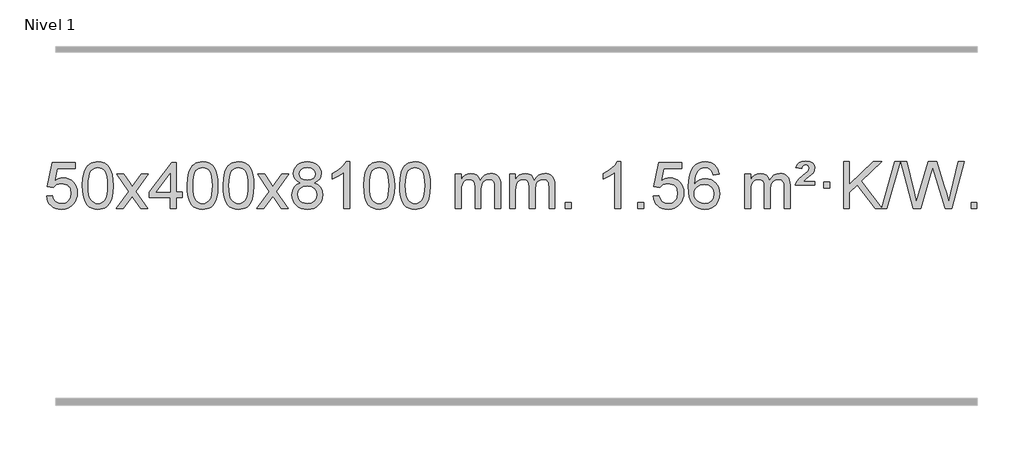
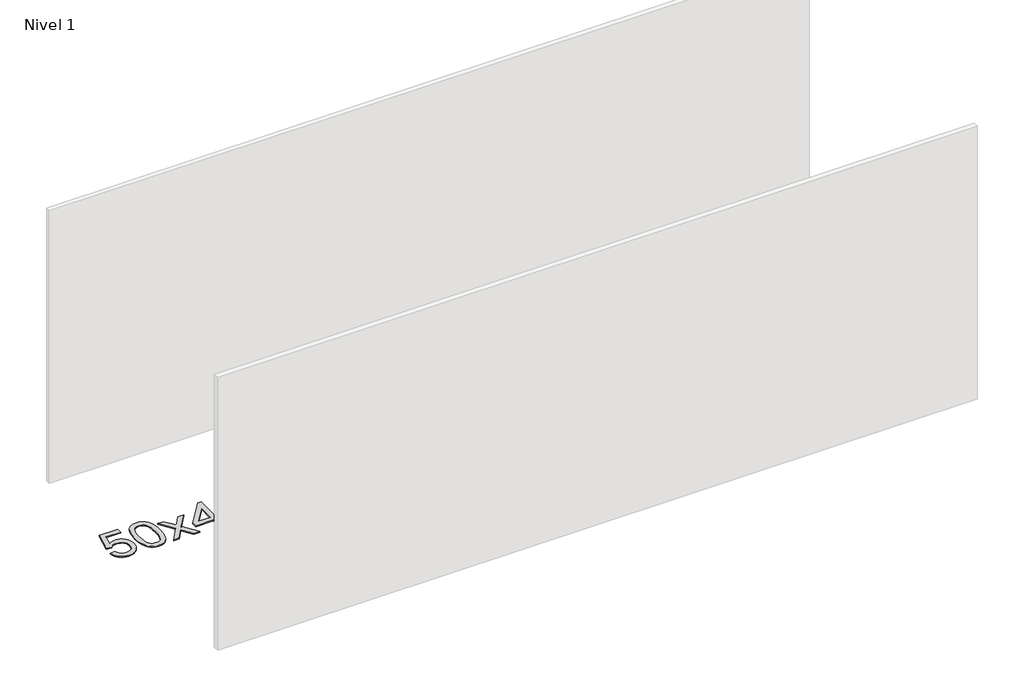
# One storey, part 7 of 18: 1 proxy.
"""IFC4 building model written with IfcOpenShell, lengths in millimetres."""

from ifc_helpers import new_model, si_unit, origin, origin_with_axes, place, context, project, spatial, polyline, outline, extrude, element, save

model = new_model("IFC4")

# Units and contexts
model_context = context("Model", 3, world=origin())
ifc_project = project(units=[si_unit("LENGTHUNIT", "METRE", prefix="MILLI")], contexts=[model_context])

# Site, building, storey
site = spatial("IfcSite", under=ifc_project)
building = spatial("IfcBuilding", under=site)
storey = spatial("IfcBuildingStorey", under=building, Name="Nivel 1", Elevation=0.0)

# Proxy
placement = place(None, origin())
element("IfcBuildingElementProxy", 1, Name="Texto de modelo 1", ObjectType="Texto de modelo 1", at=placement, inside=storey, context=model_context, shape_type="SweptSolid", body=[
    extrude(outline(polyline([(-25909.9934354, -3294.8446235), (-25859.7652803, -3288.5661041), (-25850.543705, -3318.7201649), (-25834.454999, -3340.3148381), (-25811.5727389, -3353.3010725), (-25781.9705011, -3357.6298173), (-25762.8406373, -3356.1245668), (-25745.9671165, -3351.6088153), (-25731.3499385, -3344.0825628), (-25718.9891035, -3333.5458094), (-25709.1605228, -3320.519721), (-25702.1401081, -3305.5254641), (-25696.5237763, -3269.6324441), (-25701.7844888, -3235.8363514), (-25708.3603795, -3221.9181493), (-25717.5666264, -3209.9865099), (-25729.4338865, -3200.4154467), (-25743.9928164, -3193.5789729), (-25781.1856861, -3188.1097939), (-25805.5517369, -3190.2925604), (-25825.2824746, -3196.8408599), (-25841.0400868, -3206.8717757), (-25853.4867609, -3219.5023908), (-25903.714916, -3213.2238715), (-25859.7652803, -3006.0327318), (-25665.1311794, -3006.0327318), (-25665.1311794, -3056.2608869), (-25819.151108, -3056.2608869), (-25840.6354166, -3166.919791), (-25822.9096358, -3154.2155994), (-25804.7546593, -3145.1411769), (-25786.1704872, -3139.6965234), (-25767.1571194, -3137.8816388), (-25742.6960324, -3140.1318504), (-25720.2276395, -3146.882485), (-25699.7519408, -3158.1335427), (-25681.2689362, -3173.8850234), (-25665.9681109, -3193.1743027), (-25655.03895, -3215.038756), (-25648.4814534, -3239.4783832), (-25646.2956212, -3266.4931844), (-25648.2637899, -3292.5147042), (-25654.1682959, -3316.7213394), (-25664.0091393, -3339.1130902), (-25677.78632, -3359.6899565), (-25698.6574919, -3380.7634634), (-25723.01128, -3395.8159684), (-25750.8476843, -3404.8474714), (-25782.1667048, -3407.8579724), (-25808.087057, -3405.9235262), (-25831.4996803, -3400.1201877), (-25852.4045747, -3390.447957), (-25870.8017402, -3376.9068338), (-25886.1086968, -3360.1712688), (-25897.7429649, -3340.915712), (-25905.7045445, -3319.1401636), (-25909.9934354, -3294.8446235)])), origin_with_axes(), (0.0, 0.0, 1.0), 10.0),
    extrude(outline(polyline([(-25602.3459855, -3203.9041943), (-25598.6549029, -3139.5861588), (-25587.5816548, -3088.2911459), (-25569.236606, -3049.2343407), (-25557.378543, -3034.0009605), (-25543.730121, -3021.6309284), (-25528.2453547, -3012.0598651), (-25510.8782588, -3005.2233914), (-25470.4970785, -2999.7542124), (-25439.5459399, -3002.991574), (-25411.832163, -3012.7036586), (-25388.6555973, -3028.5103217), (-25371.3160926, -3050.0314184), (-25358.2194935, -3077.0830078), (-25347.7716449, -3109.4811488), (-25340.9290398, -3150.6226186), (-25338.6481714, -3203.9041943), (-25342.3024659, -3267.8543477), (-25353.2653493, -3319.0267333), (-25371.5000336, -3358.1203266), (-25383.3305054, -3373.3996922), (-25396.9697304, -3385.8341036), (-25412.4728908, -3395.4695462), (-25429.8951689, -3402.3520052), (-25470.4970785, -3407.8579724), (-25498.1618045, -3405.4667394), (-25522.6872709, -3398.2930405), (-25544.0734775, -3386.3368757), (-25562.3204245, -3369.5982449), (-25579.8316074, -3339.3399508), (-25592.3395953, -3301.6381776), (-25599.844388, -3256.4929255), (-25602.3459855, -3203.9041943)]), holes=[polyline([(-25552.1178305, -3203.8060924), (-25550.6463025, -3247.4706195), (-25546.2317185, -3282.8148822), (-25538.8740786, -3309.8388804), (-25528.5733828, -3328.5426142), (-25516.1144459, -3341.2682656), (-25502.2820829, -3350.3580165), (-25487.0762937, -3355.8118671), (-25470.4970785, -3357.6298173), (-25453.9178632, -3355.8057357), (-25438.7120741, -3350.3334911), (-25424.8797111, -3341.2130833), (-25412.4207742, -3328.4445124), (-25402.1200783, -3309.7101217), (-25394.7624384, -3282.6922549), (-25390.3478545, -3247.3909118), (-25388.8763265, -3203.8060924), (-25390.2988035, -3161.2973278), (-25394.5662347, -3126.5753989), (-25401.6786199, -3099.6403055), (-25411.6359592, -3080.4920476), (-25423.8864297, -3067.1440625), (-25437.8782082, -3057.6097875), (-25453.6112949, -3051.8892225), (-25471.0856897, -3049.9823675), (-25487.5790658, -3051.6623619), (-25502.5273375, -3056.7023452), (-25515.9305049, -3065.1023175), (-25527.7885679, -3076.8622786), (-25538.4326203, -3097.708925), (-25546.0355148, -3125.8151094), (-25550.5972516, -3161.1808319), (-25552.1178305, -3203.8060924)])]), origin_with_axes(), (0.0, 0.0, 1.0), 10.0),
    extrude(outline(polyline([(-25313.5340939, -3401.579453), (-25206.2106531, -3253.2494325), (-25307.2555745, -3106.4890419), (-25246.8248254, -3106.4890419), (-25198.0681983, -3177.122385), (-25175.3085655, -3210.4770192), (-25155.5900906, -3183.2047007), (-25100.0644348, -3106.4890419), (-25039.6336857, -3106.4890419), (-25145.7799041, -3253.2494325), (-25043.5577603, -3401.579453), (-25103.9885094, -3401.579453), (-25165.498379, -3312.4048574), (-25176.7800935, -3296.1199477), (-25253.1033448, -3401.579453), (-25313.5340939, -3401.579453)])), origin_with_axes(), (0.0, 0.0, 1.0), 10.0),
    extrude(outline(polyline([(-24848.9236594, -3401.579453), (-24848.9236594, -3307.4016622), (-25031.0007216, -3307.4016622), (-25031.0007216, -3257.1735072), (-24836.3666207, -3006.0327318), (-24798.6955043, -3006.0327318), (-24798.6955043, -3257.1735072), (-24748.4673493, -3257.1735072), (-24748.4673493, -3307.4016622), (-24798.6955043, -3307.4016622), (-24798.6955043, -3401.579453), (-24848.9236594, -3401.579453)]), holes=[polyline([(-24848.9236594, -3257.1735072), (-24848.9236594, -3101.9763561), (-24969.1965464, -3257.1735072), (-24848.9236594, -3257.1735072)])]), origin_with_axes(), (0.0, 0.0, 1.0), 10.0),
    extrude(outline(polyline([(-24704.5177136, -3203.9041943), (-24700.8266309, -3139.5861588), (-24689.7533828, -3088.2911459), (-24671.408334, -3049.2343407), (-24659.550271, -3034.0009605), (-24645.901849, -3021.6309284), (-24630.4170827, -3012.0598651), (-24613.0499869, -3005.2233914), (-24572.6688065, -2999.7542124), (-24541.717668, -3002.991574), (-24514.003891, -3012.7036586), (-24490.8273253, -3028.5103217), (-24473.4878206, -3050.0314184), (-24460.3912216, -3077.0830078), (-24449.9433729, -3109.4811488), (-24443.1007678, -3150.6226186), (-24440.8198994, -3203.9041943), (-24444.4741939, -3267.8543477), (-24455.4370774, -3319.0267333), (-24473.6717616, -3358.1203266), (-24485.5022334, -3373.3996922), (-24499.1414584, -3385.8341036), (-24514.6446188, -3395.4695462), (-24532.066897, -3402.3520052), (-24572.6688065, -3407.8579724), (-24600.3335326, -3405.4667394), (-24624.8589989, -3398.2930405), (-24646.2452055, -3386.3368757), (-24664.4921525, -3369.5982449), (-24682.0033355, -3339.3399508), (-24694.5113233, -3301.6381776), (-24702.016116, -3256.4929255), (-24704.5177136, -3203.9041943)]), holes=[polyline([(-24654.2895585, -3203.8060924), (-24652.8180305, -3247.4706195), (-24648.4034466, -3282.8148822), (-24641.0458067, -3309.8388804), (-24630.7451108, -3328.5426142), (-24618.2861739, -3341.2682656), (-24604.4538109, -3350.3580165), (-24589.2480218, -3355.8118671), (-24572.6688065, -3357.6298173), (-24556.0895913, -3355.8057357), (-24540.8838021, -3350.3334911), (-24527.0514391, -3341.2130833), (-24514.5925022, -3328.4445124), (-24504.2918063, -3309.7101217), (-24496.9341664, -3282.6922549), (-24492.5195825, -3247.3909118), (-24491.0480545, -3203.8060924), (-24492.4705316, -3161.2973278), (-24496.7379627, -3126.5753989), (-24503.8503479, -3099.6403055), (-24513.8076873, -3080.4920476), (-24526.0581577, -3067.1440625), (-24540.0499363, -3057.6097875), (-24555.7830229, -3051.8892225), (-24573.2574177, -3049.9823675), (-24589.7507938, -3051.6623619), (-24604.6990656, -3056.7023452), (-24618.1022329, -3065.1023175), (-24629.9602959, -3076.8622786), (-24640.6043483, -3097.708925), (-24648.2072429, -3125.8151094), (-24652.7689796, -3161.1808319), (-24654.2895585, -3203.8060924)])]), origin_with_axes(), (0.0, 0.0, 1.0), 10.0),
    extrude(outline(polyline([(-24396.8702638, -3203.9041943), (-24393.1791811, -3139.5861588), (-24382.105933, -3088.2911459), (-24363.7608842, -3049.2343407), (-24351.9028212, -3034.0009605), (-24338.2543992, -3021.6309284), (-24322.7696329, -3012.0598651), (-24305.402537, -3005.2233914), (-24265.0213567, -2999.7542124), (-24234.0702182, -3002.991574), (-24206.3564412, -3012.7036586), (-24183.1798755, -3028.5103217), (-24165.8403708, -3050.0314184), (-24152.7437718, -3077.0830078), (-24142.2959231, -3109.4811488), (-24135.453318, -3150.6226186), (-24133.1724496, -3203.9041943), (-24136.8267441, -3267.8543477), (-24147.7896275, -3319.0267333), (-24166.0243118, -3358.1203266), (-24177.8547836, -3373.3996922), (-24191.4940086, -3385.8341036), (-24206.997169, -3395.4695462), (-24224.4194471, -3402.3520052), (-24265.0213567, -3407.8579724), (-24292.6860827, -3405.4667394), (-24317.2115491, -3398.2930405), (-24338.5977557, -3386.3368757), (-24356.8447027, -3369.5982449), (-24374.3558856, -3339.3399508), (-24386.8638735, -3301.6381776), (-24394.3686662, -3256.4929255), (-24396.8702638, -3203.9041943)]), holes=[polyline([(-24346.6421087, -3203.8060924), (-24345.1705807, -3247.4706195), (-24340.7559968, -3282.8148822), (-24333.3983568, -3309.8388804), (-24323.097661, -3328.5426142), (-24310.6387241, -3341.2682656), (-24296.8063611, -3350.3580165), (-24281.6005719, -3355.8118671), (-24265.0213567, -3357.6298173), (-24248.4421414, -3355.8057357), (-24233.2363523, -3350.3334911), (-24219.4039893, -3341.2130833), (-24206.9450524, -3328.4445124), (-24196.6443565, -3309.7101217), (-24189.2867166, -3282.6922549), (-24184.8721327, -3247.3909118), (-24183.4006047, -3203.8060924), (-24184.8230817, -3161.2973278), (-24189.0905129, -3126.5753989), (-24196.2028981, -3099.6403055), (-24206.1602375, -3080.4920476), (-24218.4107079, -3067.1440625), (-24232.4024864, -3057.6097875), (-24248.1355731, -3051.8892225), (-24265.6099679, -3049.9823675), (-24282.103344, -3051.6623619), (-24297.0516157, -3056.7023452), (-24310.4547831, -3065.1023175), (-24322.3128461, -3076.8622786), (-24332.9568985, -3097.708925), (-24340.559793, -3125.8151094), (-24345.1215298, -3161.1808319), (-24346.6421087, -3203.8060924)])]), origin_with_axes(), (0.0, 0.0, 1.0), 10.0),
    extrude(outline(polyline([(-24108.0583721, -3401.579453), (-24000.7349313, -3253.2494325), (-24101.7798527, -3106.4890419), (-24041.3491036, -3106.4890419), (-23992.5924765, -3177.122385), (-23969.8328437, -3210.4770192), (-23950.1143688, -3183.2047007), (-23894.588713, -3106.4890419), (-23834.1579639, -3106.4890419), (-23940.3041823, -3253.2494325), (-23838.0820385, -3401.579453), (-23898.5127876, -3401.579453), (-23960.0226572, -3312.4048574), (-23971.3043717, -3296.1199477), (-24047.627623, -3401.579453), (-24108.0583721, -3401.579453)])), origin_with_axes(), (0.0, 0.0, 1.0), 10.0),
    extrude(outline(polyline([(-23733.50545, -3180.2616447), (-23760.3976239, -3167.0178929), (-23779.2699702, -3149.0652515), (-23790.4167947, -3126.7716026), (-23794.1324029, -3100.5048281), (-23792.1090519, -3080.0199324), (-23786.038999, -3061.2395565), (-23775.9222441, -3044.1637006), (-23761.7587873, -3028.7923645), (-23744.2292102, -3016.088173), (-23724.0140946, -3007.0137504), (-23701.1134404, -3001.5690969), (-23675.5272476, -2999.7542124), (-23649.8184275, -3001.6120165), (-23626.746095, -3007.1854287), (-23606.3102502, -3016.4744491), (-23588.510893, -3029.4790776), (-23574.0899188, -3045.1508506), (-23563.7892229, -3062.4413044), (-23557.6088054, -3081.3504389), (-23555.5486662, -3101.8782543), (-23559.2152235, -3127.2989001), (-23570.2148951, -3149.2124043), (-23588.6703085, -3167.0546811), (-23614.7040911, -3180.2616447), (-23583.7897407, -3196.1909351), (-23561.2876254, -3219.6495436), (-23547.565627, -3249.5092989), (-23542.9916275, -3284.6420295), (-23545.2602331, -3309.6947933), (-23552.06605, -3332.6628926), (-23563.4090782, -3353.5463272), (-23579.2893177, -3372.3450971), (-23598.8729025, -3387.88198), (-23621.325967, -3398.9797536), (-23646.648511, -3405.6384177), (-23674.8405346, -3407.8579724), (-23703.0325581, -3405.6292206), (-23728.3551021, -3398.9429654), (-23750.8081666, -3387.7992066), (-23770.3917514, -3372.1979443), (-23786.2719909, -3353.26735), (-23797.6150191, -3332.135595), (-23804.420836, -3308.8026795), (-23806.6894416, -3283.2686033), (-23801.9315012, -3246.7747094), (-23787.6576797, -3216.7555386), (-23764.6037414, -3194.2411605), (-23733.50545, -3180.2616447)]), holes=[polyline([(-23743.9042478, -3101.9763561), (-23739.4528756, -3123.902123), (-23726.0987592, -3141.413306), (-23704.234306, -3152.8912243), (-23674.2519234, -3156.717197), (-23644.9685165, -3152.9157497), (-23623.4351571, -3141.5114079), (-23610.1914053, -3124.5888361), (-23605.7768213, -3104.232699), (-23610.3385581, -3083.1040098), (-23624.0237683, -3065.629615), (-23645.8514333, -3053.8941794), (-23674.8405346, -3049.9823675), (-23704.0135768, -3053.8083402), (-23725.8044536, -3065.2862585), (-23739.3792992, -3082.1107284), (-23743.9042478, -3101.9763561)]), polyline([(-23756.4612865, -3281.5027698), (-23754.3643592, -3300.7184726), (-23748.0735771, -3319.3210389), (-23736.4607687, -3335.5446349), (-23718.3977628, -3347.623427), (-23696.7663015, -3355.1282197), (-23674.4481271, -3357.6298173), (-23640.259627, -3352.3691048), (-23626.3659503, -3345.7932141), (-23614.6059892, -3336.5869672), (-23598.5663342, -3312.6869002), (-23593.2197826, -3283.0723996), (-23598.7380125, -3252.9551269), (-23615.2927023, -3228.5277625), (-23627.3714944, -3219.0854579), (-23641.5349513, -3212.3409547), (-23676.1158588, -3206.9453521), (-23709.8261123, -3212.2673783), (-23723.5634391, -3218.919911), (-23735.2222327, -3228.2334569), (-23751.1515231, -3252.1948375), (-23756.4612865, -3281.5027698)])]), origin_with_axes(), (0.0, 0.0, 1.0), 10.0),
    extrude(outline(polyline([(-23310.6864103, -3401.579453), (-23360.9145653, -3401.579453), (-23360.9145653, -3088.4382987), (-23381.8838391, -3105.3976587), (-23408.49397, -3122.3324932), (-23461.3708755, -3147.6918254), (-23461.3708755, -3100.2105225), (-23421.9216629, -3078.7507395), (-23387.7454255, -3053.219729), (-23360.8042007, -3026.0700378), (-23343.0600258, -2999.7542124), (-23310.6864103, -2999.7542124), (-23310.6864103, -3401.579453)])), origin_with_axes(), (0.0, 0.0, 1.0), 10.0),
    extrude(outline(polyline([(-23191.394542, -3203.9041943), (-23187.7034593, -3139.5861588), (-23176.6302112, -3088.2911459), (-23158.2851624, -3049.2343407), (-23146.4270994, -3034.0009605), (-23132.7786774, -3021.6309284), (-23117.2939111, -3012.0598651), (-23099.9268152, -3005.2233914), (-23059.5456349, -2999.7542124), (-23028.5944964, -3002.991574), (-23000.8807194, -3012.7036586), (-22977.7041537, -3028.5103217), (-22960.364649, -3050.0314184), (-22947.26805, -3077.0830078), (-22936.8202013, -3109.4811488), (-22929.9775962, -3150.6226186), (-22927.6967278, -3203.9041943), (-22931.3510223, -3267.8543477), (-22942.3139058, -3319.0267333), (-22960.54859, -3358.1203266), (-22972.3790618, -3373.3996922), (-22986.0182868, -3385.8341036), (-23001.5214472, -3395.4695462), (-23018.9437253, -3402.3520052), (-23059.5456349, -3407.8579724), (-23087.2103609, -3405.4667394), (-23111.7358273, -3398.2930405), (-23133.1220339, -3386.3368757), (-23151.3689809, -3369.5982449), (-23168.8801639, -3339.3399508), (-23181.3881517, -3301.6381776), (-23188.8929444, -3256.4929255), (-23191.394542, -3203.9041943)]), holes=[polyline([(-23141.1663869, -3203.8060924), (-23139.6948589, -3247.4706195), (-23135.280275, -3282.8148822), (-23127.9226351, -3309.8388804), (-23117.6219392, -3328.5426142), (-23105.1630023, -3341.2682656), (-23091.3306393, -3350.3580165), (-23076.1248501, -3355.8118671), (-23059.5456349, -3357.6298173), (-23042.9664196, -3355.8057357), (-23027.7606305, -3350.3334911), (-23013.9282675, -3341.2130833), (-23001.4693306, -3328.4445124), (-22991.1686347, -3309.7101217), (-22983.8109948, -3282.6922549), (-22979.3964109, -3247.3909118), (-22977.9248829, -3203.8060924), (-22979.3473599, -3161.2973278), (-22983.6147911, -3126.5753989), (-22990.7271763, -3099.6403055), (-23000.6845157, -3080.4920476), (-23012.9349861, -3067.1440625), (-23026.9267646, -3057.6097875), (-23042.6598513, -3051.8892225), (-23060.1342461, -3049.9823675), (-23076.6276222, -3051.6623619), (-23091.5758939, -3056.7023452), (-23104.9790613, -3065.1023175), (-23116.8371243, -3076.8622786), (-23127.4811767, -3097.708925), (-23135.0840712, -3125.8151094), (-23139.645808, -3161.1808319), (-23141.1663869, -3203.8060924)])]), origin_with_axes(), (0.0, 0.0, 1.0), 10.0),
    extrude(outline(polyline([(-22883.7470921, -3203.9041943), (-22880.0560094, -3139.5861588), (-22868.9827614, -3088.2911459), (-22850.6377126, -3049.2343407), (-22838.7796496, -3034.0009605), (-22825.1312276, -3021.6309284), (-22809.6464612, -3012.0598651), (-22792.2793654, -3005.2233914), (-22751.8981851, -2999.7542124), (-22720.9470465, -3002.991574), (-22693.2332696, -3012.7036586), (-22670.0567039, -3028.5103217), (-22652.7171992, -3050.0314184), (-22639.6206001, -3077.0830078), (-22629.1727515, -3109.4811488), (-22622.3301463, -3150.6226186), (-22620.049278, -3203.9041943), (-22623.7035725, -3267.8543477), (-22634.6664559, -3319.0267333), (-22652.9011401, -3358.1203266), (-22664.731612, -3373.3996922), (-22678.3708369, -3385.8341036), (-22693.8739974, -3395.4695462), (-22711.2962755, -3402.3520052), (-22751.8981851, -3407.8579724), (-22779.5629111, -3405.4667394), (-22804.0883774, -3398.2930405), (-22825.4745841, -3386.3368757), (-22843.721531, -3369.5982449), (-22861.232714, -3339.3399508), (-22873.7407019, -3301.6381776), (-22881.2454946, -3256.4929255), (-22883.7470921, -3203.9041943)]), holes=[polyline([(-22833.518937, -3203.8060924), (-22832.0474091, -3247.4706195), (-22827.6328251, -3282.8148822), (-22820.2751852, -3309.8388804), (-22809.9744894, -3328.5426142), (-22797.5155525, -3341.2682656), (-22783.6831894, -3350.3580165), (-22768.4774003, -3355.8118671), (-22751.8981851, -3357.6298173), (-22735.3189698, -3355.8057357), (-22720.1131807, -3350.3334911), (-22706.2808176, -3341.2130833), (-22693.8218807, -3328.4445124), (-22683.5211849, -3309.7101217), (-22676.163545, -3282.6922549), (-22671.748961, -3247.3909118), (-22670.2774331, -3203.8060924), (-22671.6999101, -3161.2973278), (-22675.9673412, -3126.5753989), (-22683.0797265, -3099.6403055), (-22693.0370658, -3080.4920476), (-22705.2875363, -3067.1440625), (-22719.2793148, -3057.6097875), (-22735.0124015, -3051.8892225), (-22752.4867962, -3049.9823675), (-22768.9801724, -3051.6623619), (-22783.9284441, -3056.7023452), (-22797.3316115, -3065.1023175), (-22809.1896744, -3076.8622786), (-22819.8337268, -3097.708925), (-22827.4366214, -3125.8151094), (-22831.9983581, -3161.1808319), (-22833.518937, -3203.8060924)])]), origin_with_axes(), (0.0, 0.0, 1.0), 10.0),
    extrude(outline(polyline([(-22406.5796189, -3401.579453), (-22406.5796189, -3106.4890419), (-22356.3514638, -3106.4890419), (-22356.3514638, -3155.0494653), (-22341.2437766, -3132.7435536), (-22321.8196072, -3115.2691589), (-22298.7411434, -3103.9751816), (-22272.6705727, -3100.2105225), (-22244.7360665, -3104.048758), (-22222.3443157, -3115.5634645), (-22205.6179477, -3133.9943524), (-22194.6795897, -3158.5811324), (-22176.3713291, -3133.0439906), (-22155.4878945, -3114.803175), (-22132.0292859, -3103.8586857), (-22105.9955034, -3100.2105225), (-22085.8876867, -3101.7280358), (-22068.2385479, -3106.2805755), (-22053.0480872, -3113.8681416), (-22040.3163045, -3124.4907342), (-22030.2516663, -3138.2709806), (-22023.0626389, -3155.3315082), (-22018.7492225, -3175.6723168), (-22017.3114171, -3199.2934066), (-22017.3114171, -3401.579453), (-22067.5395722, -3401.579453), (-22067.5395722, -3220.875817), (-22068.7045318, -3195.8230531), (-22072.1994108, -3178.9372695), (-22078.7477103, -3167.3735121), (-22089.0729316, -3158.2868268), (-22102.3534716, -3152.4007149), (-22117.7677272, -3150.4386776), (-22144.9787321, -3155.4663982), (-22167.1620165, -3170.54956), (-22175.7673895, -3182.1194488), (-22181.9140845, -3196.7182326), (-22186.8314405, -3235.0024856), (-22186.8314405, -3401.579453), (-22237.0595955, -3401.579453), (-22237.0595955, -3215.2840106), (-22239.9658633, -3186.8835206), (-22248.6846666, -3166.6254854), (-22264.0253458, -3154.4853796), (-22286.7972413, -3150.4386776), (-22306.1478342, -3153.1364789), (-22323.9778483, -3161.2298828), (-22338.6931281, -3174.5226856), (-22348.6995183, -3192.8186835), (-22354.4384775, -3218.2025411), (-22356.3514638, -3252.7589232), (-22356.3514638, -3401.579453), (-22406.5796189, -3401.579453)])), origin_with_axes(), (0.0, 0.0, 1.0), 10.0),
    extrude(outline(polyline([(-21941.9691845, -3401.579453), (-21941.9691845, -3106.4890419), (-21891.7410294, -3106.4890419), (-21891.7410294, -3155.0494653), (-21876.6333421, -3132.7435536), (-21857.2091728, -3115.2691589), (-21834.130709, -3103.9751816), (-21808.0601382, -3100.2105225), (-21780.1256321, -3104.048758), (-21757.7338813, -3115.5634645), (-21741.0075132, -3133.9943524), (-21730.0691552, -3158.5811324), (-21711.7608946, -3133.0439906), (-21690.87746, -3114.803175), (-21667.4188515, -3103.8586857), (-21641.3850689, -3100.2105225), (-21621.2772522, -3101.7280358), (-21603.6281135, -3106.2805755), (-21588.4376528, -3113.8681416), (-21575.7058701, -3124.4907342), (-21565.6412318, -3138.2709806), (-21558.4522045, -3155.3315082), (-21554.1387881, -3175.6723168), (-21552.7009826, -3199.2934066), (-21552.7009826, -3401.579453), (-21602.9291377, -3401.579453), (-21602.9291377, -3220.875817), (-21604.0940974, -3195.8230531), (-21607.5889763, -3178.9372695), (-21614.1372758, -3167.3735121), (-21624.4624972, -3158.2868268), (-21637.7430372, -3152.4007149), (-21653.1572928, -3150.4386776), (-21680.3682977, -3155.4663982), (-21702.551582, -3170.54956), (-21711.156955, -3182.1194488), (-21717.30365, -3196.7182326), (-21722.221006, -3235.0024856), (-21722.221006, -3401.579453), (-21772.4491611, -3401.579453), (-21772.4491611, -3215.2840106), (-21775.3554289, -3186.8835206), (-21784.0742321, -3166.6254854), (-21799.4149113, -3154.4853796), (-21822.1868068, -3150.4386776), (-21841.5373998, -3153.1364789), (-21859.3674138, -3161.2298828), (-21874.0826936, -3174.5226856), (-21884.0890839, -3192.8186835), (-21889.828043, -3218.2025411), (-21891.7410294, -3252.7589232), (-21891.7410294, -3401.579453), (-21941.9691845, -3401.579453)])), origin_with_axes(), (0.0, 0.0, 1.0), 10.0),
    extrude(outline(polyline([(-21464.8017113, -3401.579453), (-21464.8017113, -3351.3512979), (-21414.5735562, -3351.3512979), (-21414.5735562, -3401.579453), (-21464.8017113, -3401.579453)])), origin_with_axes(), (0.0, 0.0, 1.0), 10.0),
    extrude(outline(polyline([(-20987.634238, -3401.579453), (-21037.8623931, -3401.579453), (-21037.8623931, -3088.4382987), (-21058.8316668, -3105.3976587), (-21085.4417978, -3122.3324932), (-21138.3187033, -3147.6918254), (-21138.3187033, -3100.2105225), (-21098.8694907, -3078.7507395), (-21064.6932533, -3053.219729), (-21037.7520285, -3026.0700378), (-21020.0078536, -2999.7542124), (-20987.634238, -2999.7542124), (-20987.634238, -3401.579453)])), origin_with_axes(), (0.0, 0.0, 1.0), 10.0),
    extrude(outline(polyline([(-20843.2282922, -3401.579453), (-20843.2282922, -3351.3512979), (-20793.0001371, -3351.3512979), (-20793.0001371, -3401.579453), (-20843.2282922, -3401.579453)])), origin_with_axes(), (0.0, 0.0, 1.0), 10.0),
    extrude(outline(polyline([(-20711.3793851, -3294.8446235), (-20661.1512301, -3288.5661041), (-20651.9296547, -3318.7201649), (-20635.8409488, -3340.3148381), (-20612.9586887, -3353.3010725), (-20583.3564508, -3357.6298173), (-20564.2265871, -3356.1245668), (-20547.3530662, -3351.6088153), (-20532.7358883, -3344.0825628), (-20520.3750532, -3333.5458094), (-20510.5464726, -3320.519721), (-20503.5260579, -3305.5254641), (-20497.9097261, -3269.6324441), (-20503.1704386, -3235.8363514), (-20509.7463293, -3221.9181493), (-20518.9525762, -3209.9865099), (-20530.8198362, -3200.4154467), (-20545.3787662, -3193.5789729), (-20582.5716359, -3188.1097939), (-20606.9376867, -3190.2925604), (-20626.6684244, -3196.8408599), (-20642.4260365, -3206.8717757), (-20654.8727107, -3219.5023908), (-20705.1008658, -3213.2238715), (-20661.1512301, -3006.0327318), (-20466.5171291, -3006.0327318), (-20466.5171291, -3056.2608869), (-20620.5370578, -3056.2608869), (-20642.0213663, -3166.919791), (-20624.2955855, -3154.2155994), (-20606.1406091, -3145.1411769), (-20587.5564369, -3139.6965234), (-20568.5430691, -3137.8816388), (-20544.0819821, -3140.1318504), (-20521.6135893, -3146.882485), (-20501.1378906, -3158.1335427), (-20482.654886, -3173.8850234), (-20467.3540607, -3193.1743027), (-20456.4248997, -3215.038756), (-20449.8674032, -3239.4783832), (-20447.681571, -3266.4931844), (-20449.6497397, -3292.5147042), (-20455.5542457, -3316.7213394), (-20465.3950891, -3339.1130902), (-20479.1722698, -3359.6899565), (-20500.0434416, -3380.7634634), (-20524.3972297, -3395.8159684), (-20552.233634, -3404.8474714), (-20583.5526545, -3407.8579724), (-20609.4730068, -3405.9235262), (-20632.8856301, -3400.1201877), (-20653.7905245, -3390.447957), (-20672.1876899, -3376.9068338), (-20687.4946466, -3360.1712688), (-20699.1289147, -3340.915712), (-20707.0904942, -3319.1401636), (-20711.3793851, -3294.8446235)])), origin_with_axes(), (0.0, 0.0, 1.0), 10.0),
    extrude(outline(polyline([(-20146.3126405, -3106.4890419), (-20196.5407956, -3112.7675613), (-20204.6341995, -3087.874213), (-20215.5725575, -3070.8780648), (-20238.3567157, -3055.2062918), (-20265.8988144, -3049.9823675), (-20289.2470584, -3053.0235253), (-20311.2218763, -3062.1469988), (-20330.0942226, -3081.3627017), (-20345.5084782, -3107.8134171), (-20355.9195387, -3145.227016), (-20359.7822996, -3197.3313693), (-20339.634629, -3173.8237098), (-20315.4893074, -3157.2567573), (-20288.6952354, -3147.434308), (-20260.6013137, -3144.1601582), (-20236.4682548, -3146.398107), (-20214.1991314, -3153.1119534), (-20193.7939434, -3164.3016975), (-20175.2526908, -3179.9673391), (-20159.8445666, -3199.1769106), (-20148.8387636, -3220.9984443), (-20142.2352818, -3245.4319401), (-20140.0341212, -3272.4773982), (-20144.178925, -3308.4439945), (-20156.6133364, -3341.786366), (-20176.3072859, -3370.0642287), (-20202.2307038, -3390.8372987), (-20233.2063678, -3403.602804), (-20268.0570555, -3407.8579724), (-20297.9995842, -3405.0375437), (-20325.0419765, -3396.5762579), (-20349.1842325, -3382.4741147), (-20370.426352, -3362.7311143), (-20387.7443969, -3336.5133908), (-20400.114429, -3302.9870783), (-20407.5364483, -3262.1521768), (-20410.0104547, -3214.0086864), (-20407.2636025, -3160.0342663), (-20399.0230458, -3113.9693092), (-20385.2887846, -3075.8138149), (-20366.060819, -3045.5677835), (-20345.220304, -3025.5243462), (-20321.0565883, -3011.2076052), (-20293.5696718, -3002.6175606), (-20262.7595548, -2999.7542124), (-20239.6259086, -3001.5261773), (-20218.6872917, -3006.8420722), (-20199.9437041, -3015.7018969), (-20183.3951457, -3028.1056515), (-20169.4892062, -3043.6364031), (-20158.6734756, -3061.8772186), (-20150.9479537, -3082.8280983), (-20146.3126405, -3106.4890419)]), holes=[polyline([(-20359.7822996, -3271.6925832), (-20356.8760319, -3293.9494439), (-20348.1572286, -3315.2007605), (-20334.6191711, -3333.472233), (-20317.255141, -3346.7895612), (-20296.29813, -3354.9197533), (-20271.9811301, -3357.6298173), (-20238.8349623, -3352.0134855), (-20224.9198259, -3344.9930708), (-20212.7766543, -3335.1644901), (-20202.9266139, -3322.9262824), (-20195.8908708, -3308.6769865), (-20190.2622762, -3274.1451299), (-20195.8172944, -3240.9989621), (-20202.761067, -3227.3781312), (-20212.4823487, -3215.725469), (-20224.6623085, -3206.3904634), (-20238.9821151, -3199.7226022), (-20274.0412693, -3194.3883133), (-20307.1383861, -3199.7226022), (-20334.8153749, -3215.725469), (-20345.7384044, -3227.2248471), (-20353.5405684, -3240.3858254), (-20358.2218668, -3255.2084042), (-20359.7822996, -3271.6925832)])]), origin_with_axes(), (0.0, 0.0, 1.0), 10.0),
    extrude(outline(polyline([(-19926.5644621, -3401.579453), (-19926.5644621, -3106.4890419), (-19876.336307, -3106.4890419), (-19876.336307, -3155.0494653), (-19861.2286197, -3132.7435536), (-19841.8044504, -3115.2691589), (-19818.7259866, -3103.9751816), (-19792.6554158, -3100.2105225), (-19764.7209097, -3104.048758), (-19742.3291589, -3115.5634645), (-19725.6027909, -3133.9943524), (-19714.6644329, -3158.5811324), (-19696.3561722, -3133.0439906), (-19675.4727377, -3114.803175), (-19652.0141291, -3103.8586857), (-19625.9803466, -3100.2105225), (-19605.8725298, -3101.7280358), (-19588.2233911, -3106.2805755), (-19573.0329304, -3113.8681416), (-19560.3011477, -3124.4907342), (-19550.2365094, -3138.2709806), (-19543.0474821, -3155.3315082), (-19538.7340657, -3175.6723168), (-19537.2962603, -3199.2934066), (-19537.2962603, -3401.579453), (-19587.5244153, -3401.579453), (-19587.5244153, -3220.875817), (-19588.689375, -3195.8230531), (-19592.1842539, -3178.9372695), (-19598.7325535, -3167.3735121), (-19609.0577748, -3158.2868268), (-19622.3383148, -3152.4007149), (-19637.7525704, -3150.4386776), (-19664.9635753, -3155.4663982), (-19687.1468596, -3170.54956), (-19695.7522326, -3182.1194488), (-19701.8989276, -3196.7182326), (-19706.8162836, -3235.0024856), (-19706.8162836, -3401.579453), (-19757.0444387, -3401.579453), (-19757.0444387, -3215.2840106), (-19759.9507065, -3186.8835206), (-19768.6695098, -3166.6254854), (-19784.010189, -3154.4853796), (-19806.7820845, -3150.4386776), (-19826.1326774, -3153.1364789), (-19843.9626914, -3161.2298828), (-19858.6779713, -3174.5226856), (-19868.6843615, -3192.8186835), (-19874.4233206, -3218.2025411), (-19876.336307, -3252.7589232), (-19876.336307, -3401.579453), (-19926.5644621, -3401.579453)])), origin_with_axes(), (0.0, 0.0, 1.0), 10.0),
    extrude(outline(polyline([(-19493.3466246, -3200.6668327), (-19489.5206518, -3184.8479069), (-19481.1819933, -3168.9799302), (-19459.6731593, -3143.8413272), (-19427.7164766, -3116.1030247), (-19383.5706372, -3078.726214), (-19376.4337265, -3067.1992448), (-19374.0547563, -3055.3779701), (-19375.9432172, -3043.2869152), (-19381.6085999, -3033.5012541), (-19390.977328, -3027.026531), (-19403.9758252, -3024.8682899), (-19416.4102366, -3026.4869707), (-19425.26393, -3031.343013), (-19431.6896022, -3040.8098431), (-19436.8399501, -3056.2608869), (-19487.0681052, -3049.9823675), (-19476.2278491, -3024.7701881), (-19459.5995829, -3007.2099542), (-19435.834406, -2996.9092583), (-19403.5834178, -2993.475693), (-19367.8007624, -2997.6082341), (-19343.0545668, -3010.0058573), (-19328.6335926, -3028.3386434), (-19323.8266012, -3050.2766731), (-19327.9223541, -3073.1834586), (-19340.2096127, -3094.8149199), (-19360.737428, -3114.6314968), (-19397.2067965, -3142.6886303), (-19422.8113834, -3169.2742358), (-19323.8266012, -3169.2742358), (-19323.8266012, -3200.6668327), (-19493.3466246, -3200.6668327)])), origin_with_axes(), (0.0, 0.0, 1.0), 10.0),
    extrude(outline(polyline([(-19248.4843686, -3225.7809102), (-19248.4843686, -3175.5527552), (-19198.2562135, -3175.5527552), (-19198.2562135, -3225.7809102), (-19248.4843686, -3225.7809102)])), origin_with_axes(), (0.0, 0.0, 1.0), 10.0),
    extrude(outline(polyline([(-18807.6145856, -3401.579453), (-18961.045903, -3198.9009991), (-19028.7361901, -3263.4520265), (-19028.7361901, -3401.579453), (-19078.9643452, -3401.579453), (-19078.9643452, -2999.7542124), (-19028.7361901, -2999.7542124), (-19028.7361901, -3196.4484525), (-18822.7222728, -2999.7542124), (-18752.4813372, -2999.7542124), (-18925.4349259, -3164.9577537), (-18750.781316, -3395.5349332), (-18639.4679883, -2999.7542124), (-18594.1449265, -2999.7542124), (-18707.1582754, -3401.579453), (-18746.2028178, -3401.579453), (-18752.4813372, -3401.579453), (-18807.6145856, -3401.579453)])), origin_with_axes(), (0.0, 0.0, 1.0), 10.0),
    extrude(outline(polyline([(-18479.6600496, -3401.579453), (-18589.2398332, -2999.7542124), (-18537.4420483, -2999.7542124), (-18473.8720395, -3263.844434), (-18454.2516665, -3345.3670841), (-18433.2578673, -3273.2622131), (-18353.5991526, -2999.7542124), (-18278.943633, -2999.7542124), (-18221.0635325, -3198.0180823), (-18196.268286, -3271.5944814), (-18177.9968136, -3345.3670841), (-18158.9650517, -3266.1988788), (-18094.8064317, -2999.7542124), (-18043.0086468, -2999.7542124), (-18152.6865323, -3401.579453), (-18206.3482526, -3401.579453), (-18302.6842845, -3091.5775584), (-18316.12424, -3048.3146358), (-18331.2319273, -3100.4067263), (-18419.0330968, -3401.579453), (-18479.6600496, -3401.579453)])), origin_with_axes(), (0.0, 0.0, 1.0), 10.0),
    extrude(outline(polyline([(-17986.5019723, -3401.579453), (-17986.5019723, -3351.3512979), (-17936.2738173, -3351.3512979), (-17936.2738173, -3401.579453), (-17986.5019723, -3401.579453)])), origin_with_axes(), (0.0, 0.0, 1.0), 10.0),
])

save(model, "model.ifc")
